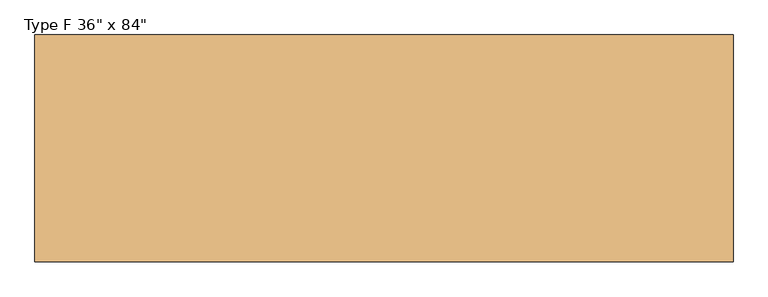
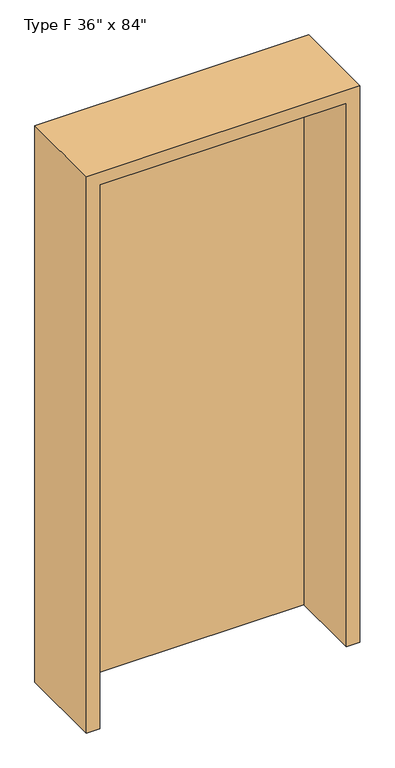
"""IFC4 building model written with IfcOpenShell, lengths in millimetres: door geometry."""

from ifc_helpers import new_model, si_unit, frame, origin, origin_with_axes, place, context, project, spatial, polyline, outline, extrude, source, transform, mapped, element, save


def door_ea785083(model_context):
    return source(origin(), model_context, "Body", "SweptSolid", [
        extrude(outline(polyline([(-457.2, 160.4600506), (457.2, 160.4600506), (457.2, 116.0100506), (-457.2, 116.0100506), (-457.2, 160.4600506)])), origin_with_axes(), (0.0, 0.0, 1.0), 2133.6),
        extrude(outline(polyline([(2184.4, -508.0), (0.0, -508.0), (0.0, -457.2), (2133.6, -457.2), (2133.6, 457.2), (0.0, 457.2), (0.0, 508.0), (2184.4, 508.0), (2184.4, -508.0)])), frame((0.0, -157.0399494, 0.0), z_axis=(0.0, 1.0, 0.0), x_axis=(0.0, 0.0, 1.0)), (0.0, 0.0, 1.0), 330.2),
    ])


if __name__ == "__main__":
    model = new_model("IFC4")
    model_context = context("Model", 3, world=origin())
    ifc_project = project(units=[si_unit("LENGTHUNIT", "METRE", prefix="MILLI")], contexts=[model_context])
    site = spatial("IfcSite", under=ifc_project)
    building = spatial("IfcBuilding", under=site)
    placement = place(None, origin())
    door_shape = door_ea785083(model_context)
    element("IfcDoor", 1, ObjectType="Type F 36\" x 84\"", at=placement, inside=building, context=model_context, shape_type="MappedRepresentation", body=[
        mapped(door_shape, transform((0.0, 0.0, 0.0), x_axis=(1.0, 0.0, 0.0), y_axis=(0.0, 1.0, 0.0), z_axis=(0.0, 0.0, 1.0))),
    ])
    save(model, "model.ifc")
